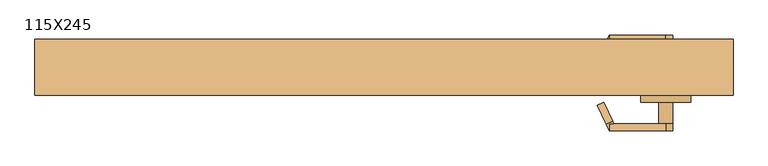
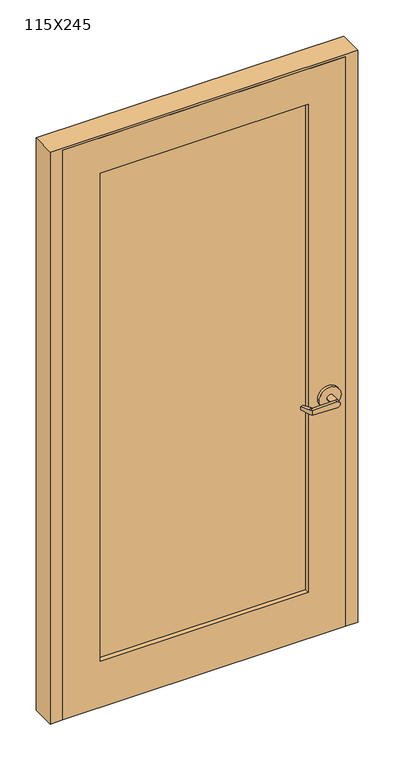
"""IFC4 building model written with IfcOpenShell, lengths in millimetres: door geometry, 115X245."""

import ifcopenshell
import ifcopenshell.guid

model = None  # the IFC model being written
_history = None  # IfcOwnerHistory: only IFC2X3 demands one
_inside = {}  # id of a spatial element -> (the spatial element, [elements in it])
_under = {}  # id of a project, library or spatial element -> (it, [spatial elements below it])
_declared = {}  # id of a project -> (the project, [libraries it declares])
_typed = {}  # id of a type object -> (the type object, [elements of that type])
_made_of = {}  # id of a material, layer set ... -> (it, [elements and type objects made of it])


def new_model(schema):
    """Start an empty IFC model of exactly this schema.

    Asked for "IFC4X3", IfcOpenShell would pick the latest addendum, in which some entities
    have other attributes; the version numbers below select the first issue.
    IFC2X3 requires an IfcOwnerHistory on every rooted entity: one is made here for all.
    """
    global model, _history
    if schema == "IFC4X3":
        model = ifcopenshell.file(schema_version=(4, 3, 0, 0))
    else:
        model = ifcopenshell.file(schema=schema)
    _inside.clear()
    _under.clear()
    _declared.clear()
    _typed.clear()
    _made_of.clear()
    _history = None
    if model.schema == "IFC2X3":
        org = make("IfcOrganization", Name="unknown")
        user = make(
            "IfcPersonAndOrganization",
            ThePerson=make("IfcPerson", FamilyName="unknown"),
            TheOrganization=org,
        )
        app = make(
            "IfcApplication",
            ApplicationDeveloper=org,
            Version="unknown",
            ApplicationFullName="unknown",
            ApplicationIdentifier="unknown",
        )
        _history = make(
            "IfcOwnerHistory",
            OwningUser=user,
            OwningApplication=app,
            ChangeAction="ADDED",
            CreationDate=0,
        )
    return model


def make(cls, **values):
    """One entity of the class cls with the attributes given. An attribute that is None is left unset."""
    return model.create_entity(
        cls, **{name: value for name, value in values.items() if value is not None}
    )


def rooted(cls, **values):
    """An entity with a GlobalId (a new one), such as an element, a storey or a relation."""
    return make(cls, GlobalId=ifcopenshell.guid.new(), OwnerHistory=_history, **values)


def si_unit(unit_type, name, prefix=None):
    """IfcSIUnit, for example si_unit("LENGTHUNIT", "METRE", prefix="MILLI")."""
    return make("IfcSIUnit", UnitType=unit_type, Prefix=prefix, Name=name)


def assignment(units):
    """IfcUnitAssignment: the units of a project."""
    return None if units is None else make("IfcUnitAssignment", Units=units)


def point(xyz):
    """IfcCartesianPoint."""
    return None if xyz is None else make("IfcCartesianPoint", Coordinates=xyz)


def direction(xyz):
    """IfcDirection."""
    return None if xyz is None else make("IfcDirection", DirectionRatios=xyz)


def frame(location, z_axis=None, x_axis=None):
    """IfcAxis2Placement3D, a coordinate frame: its origin and axes. An axis left out is left unset."""
    return make(
        "IfcAxis2Placement3D",
        Location=point(location),
        Axis=direction(z_axis),
        RefDirection=direction(x_axis),
    )


def origin():
    """The frame at (0, 0, 0) with its axes left unset."""
    return frame((0.0, 0.0, 0.0))


def place(relative_to, where):
    """IfcLocalPlacement: puts the frame where relative to a parent placement (None: the world)."""
    return make(
        "IfcLocalPlacement", PlacementRelTo=relative_to, RelativePlacement=where
    )


def context(
    kind, dimensions, precision=None, world=None, true_north=None, identifier=None
):
    """IfcGeometricRepresentationContext, for example the 3D "Model" context."""
    return make(
        "IfcGeometricRepresentationContext",
        ContextIdentifier=identifier,
        ContextType=kind,
        CoordinateSpaceDimension=dimensions,
        Precision=precision,
        WorldCoordinateSystem=world,
        TrueNorth=true_north,
    )


def project(units=None, contexts=None):
    """IfcProject with its units and contexts."""
    return rooted(
        "IfcProject",
        Name="project",
        RepresentationContexts=contexts,
        UnitsInContext=assignment(units),
    )


def spatial(cls, under=None, at=None, **own):
    """A site, building, storey or space (cls), placed at a placement, below another one or the project."""
    s = rooted(cls, ObjectPlacement=at, **own)
    if under is not None:
        _under.setdefault(under.id(), (under, []))[1].append(s)
    return s


def polyline(points):
    """IfcPolyline through the points."""
    return make("IfcPolyline", Points=[point(p) for p in points])


def circle_curve(where, radius):
    """IfcCircle in the frame where."""
    return make("IfcCircle", Position=where, Radius=radius)


def outline(outer, holes=None, kind="AREA"):
    """IfcArbitraryClosedProfileDef: a profile drawn as a closed curve; with holes, ...WithVoids."""
    if holes is None:
        return make("IfcArbitraryClosedProfileDef", ProfileType=kind, OuterCurve=outer)
    return make(
        "IfcArbitraryProfileDefWithVoids",
        ProfileType=kind,
        OuterCurve=outer,
        InnerCurves=holes,
    )


def extrude(swept, where, along, depth):
    """IfcExtrudedAreaSolid: the profile swept, set in the frame where, extruded along a direction by depth."""
    return make(
        "IfcExtrudedAreaSolid",
        SweptArea=swept,
        Position=where,
        ExtrudedDirection=direction(along),
        Depth=depth,
    )


def faces_of(points, faces, orient=None, outer=None):
    """IfcFace entities. A face is a list of loops; a loop is a list of indices into points, from 0.

    orient and outer hold one flag for each loop. By default every Orientation is true, the
    first loop of a face is its IfcFaceOuterBound and the others are IfcFaceBound.
    """
    made = []
    for i, loops in enumerate(faces):
        bounds = []
        for j, loop in enumerate(loops):
            is_outer = j == 0 if outer is None else outer[i][j]
            bounds.append(
                make(
                    "IfcFaceOuterBound" if is_outer else "IfcFaceBound",
                    Bound=make("IfcPolyLoop", Polygon=[points[k] for k in loop]),
                    Orientation=True if orient is None else orient[i][j],
                )
            )
        made.append(make("IfcFace", Bounds=bounds))
    return made


def faceted_brep(points, faces, orient=None, outer=None, voids=None):
    """IfcFacetedBrep: a solid bounded by flat faces; with voids (closed shells), ...WithVoids."""
    shared = [point(p) for p in points]
    hull = make("IfcClosedShell", CfsFaces=faces_of(shared, faces, orient, outer))
    if voids is None:
        return make("IfcFacetedBrep", Outer=hull)
    return make(
        "IfcFacetedBrepWithVoids",
        Outer=hull,
        Voids=[
            make(cls, CfsFaces=faces_of(shared, fs, o, b)) for cls, fs, o, b in voids
        ],
    )


def shape(context_of_items, identifier, shape_type, items):
    """IfcShapeRepresentation: the items that make up one representation, for example the "Body"."""
    return make(
        "IfcShapeRepresentation",
        ContextOfItems=context_of_items,
        RepresentationIdentifier=identifier,
        RepresentationType=shape_type,
        Items=items,
    )


def source(mapping_origin, context_of_items, identifier, shape_type, items):
    """IfcRepresentationMap: a shape defined once, which mapped items show again and again."""
    return make(
        "IfcRepresentationMap",
        MappingOrigin=mapping_origin,
        MappedRepresentation=shape(context_of_items, identifier, shape_type, items),
    )


def transform(
    local_origin,
    x_axis=None,
    y_axis=None,
    z_axis=None,
    scale=None,
    scale2=None,
    scale3=None,
    uniform=True,
):
    """IfcCartesianTransformationOperator3D, or its non-uniform kind. x_axis, y_axis, z_axis: its Axis1, 2, 3."""
    if uniform:
        return make(
            "IfcCartesianTransformationOperator3D",
            Axis1=direction(x_axis),
            Axis2=direction(y_axis),
            LocalOrigin=point(local_origin),
            Scale=scale,
            Axis3=direction(z_axis),
        )
    return make(
        "IfcCartesianTransformationOperator3DnonUniform",
        Axis1=direction(x_axis),
        Axis2=direction(y_axis),
        LocalOrigin=point(local_origin),
        Scale=scale,
        Axis3=direction(z_axis),
        Scale2=scale2,
        Scale3=scale3,
    )


def mapped(mapping_source, mapping_target):
    """IfcMappedItem: shows the shape of a source again, moved by a transform."""
    return make(
        "IfcMappedItem", MappingSource=mapping_source, MappingTarget=mapping_target
    )


def made_of(thing, what):
    """Note that an element or type object is made of a material, layer set ...; save() writes the relation."""
    if what is not None:
        _made_of.setdefault(what.id(), (what, []))[1].append(thing)
    return thing


def element(
    cls,
    number,
    at=None,
    inside=None,
    cuts=None,
    type_object=None,
    material=None,
    context=None,
    identifier="Body",
    shape_type=None,
    held_by="IfcProductDefinitionShape",
    body=None,
    shapes=None,
    **own,
):
    """One element of the class cls, such as IfcWall. Its Tag is "e" and its number.

    at: its placement. inside: the storey or other place that contains it. cuts: it is an
    opening in that element (IfcRelVoidsElement). A single representation is given by context,
    identifier, shape_type and body (its items); several are given by shapes. held_by: the class
    of the entity that holds the representations. save() writes the other relations.
    """
    e = rooted(cls, Tag="e%d" % number, ObjectPlacement=at, **own)
    if body is not None:
        shapes = [shape(context, identifier, shape_type, body)]
    if shapes is not None:
        e.Representation = make(held_by, Representations=shapes)
    if inside is not None:
        _inside.setdefault(inside.id(), (inside, []))[1].append(e)
    if cuts is not None:
        rooted(
            "IfcRelVoidsElement", RelatingBuildingElement=cuts, RelatedOpeningElement=e
        )
    if type_object is not None:
        _typed.setdefault(type_object.id(), (type_object, []))[1].append(e)
    return made_of(e, material)


def aggregate(whole, parts):
    """IfcRelAggregates: a whole, such as a stair, and the parts it consists of."""
    return rooted("IfcRelAggregates", RelatingObject=whole, RelatedObjects=parts)


def save(model, path):
    """Write the relations noted so far, then the file.

    IfcRelAggregates (storeys below a building ...), IfcRelContainedInSpatialStructure (elements
    in a storey), IfcRelDefinesByType, IfcRelAssociatesMaterial and IfcRelDeclares: one each for
    every whole, place, type object, material and project.
    """
    for whole, parts in _under.values():
        aggregate(whole, parts)
    for where, things in _inside.values():
        rooted(
            "IfcRelContainedInSpatialStructure",
            RelatedElements=things,
            RelatingStructure=where,
        )
    for kind, things in _typed.values():
        rooted("IfcRelDefinesByType", RelatedObjects=things, RelatingType=kind)
    for what, things in _made_of.values():
        rooted("IfcRelAssociatesMaterial", RelatedObjects=things, RelatingMaterial=what)
    for by, libraries in _declared.values():
        rooted("IfcRelDeclares", RelatingContext=by, RelatedDefinitions=libraries)
    model.write(path)


def plane_surface(at):
    """IfcPlane: the flat surface through the origin of the frame at, square to its z axis."""
    return make("IfcPlane", Position=at)


def cylinder_surface(at, radius):
    """IfcCylindricalSurface: all points at the distance radius from the z axis of the frame at."""
    return make("IfcCylindricalSurface", Position=at, Radius=radius)


def advanced_brep(points, edges, surfaces, faces):
    """IfcAdvancedBrep: a solid bounded by faces that lie on surfaces and meet in shared edges.

    An edge is (start, end): straight between two places in points (the first is 0);
    or (start, end, curve); or (start, end, curve, False) where it runs against its curve.
    A face is (place in surfaces, loops), or (place, loops, False) where it looks against
    its surface's normal. A loop lists edges by number (the first is 1), with a minus sign
    where the edge is run from its end to its start. The first loop is the outer one.
    """
    corners = [point(p) for p in points]
    vertices = [make("IfcVertexPoint", VertexGeometry=c) for c in corners]
    made = []
    for start, end, *more in edges:
        made.append(
            make(
                "IfcEdgeCurve",
                EdgeStart=vertices[start],
                EdgeEnd=vertices[end],
                EdgeGeometry=more[0] if more else make("IfcPolyline", Points=[corners[start], corners[end]]),
                SameSense=more[1] if len(more) > 1 else True,
            )
        )
    hull = []
    for where, loops, *sense in faces:
        bounds = []
        for j, loop in enumerate(loops):
            ring = [make("IfcOrientedEdge", EdgeElement=made[abs(k) - 1], Orientation=k > 0) for k in loop]
            bounds.append(
                make(
                    "IfcFaceOuterBound" if j == 0 else "IfcFaceBound",
                    Bound=make("IfcEdgeLoop", EdgeList=ring),
                    Orientation=True,
                )
            )
        hull.append(make("IfcAdvancedFace", Bounds=bounds, FaceSurface=surfaces[where], SameSense=sense[0] if sense else True))
    return make("IfcAdvancedBrep", Outer=make("IfcClosedShell", CfsFaces=hull))


def door_115x245_20a750e4(model_context):
    return source(origin(), model_context, "Body", "SolidModel", [
        advanced_brep(
        [(409.692857, 41.0726392, 1006.475), (411.6407923, 45.25, 1006.475), (411.6407923, 45.25, 1025.525), (409.692857, 41.0726392, 1025.525), (393.5911012, 6.5423125, 1022.35), (393.5911012, 6.5423125, 1009.65), (403.55, 57.95, 1025.525), (403.55, 57.95, 1006.475), (398.1827481, 46.4398911, 1006.475), (382.0809923, 11.9095644, 1009.65), (382.0809923, 11.9095644, 1022.35), (398.1827481, 46.4398911, 1025.525), (403.55, 45.25, 1006.475), (403.55, 45.25, 1025.525), (504.7525418, 57.95, 1028.6937791), (504.7525418, 57.95, 1003.3062209), (504.7525418, 45.25, 1003.3062209), (492.45, 45.25, 1016.0), (504.7525418, 45.25, 1028.6937791), (517.85, 45.25, 1016.0), (492.45, 7.15, 1016.0), (517.85, 7.15, 1016.0), (549.6, 7.15, 1016.0), (460.7, 7.15, 1016.0), (549.6, -5.55, 1016.0), (460.7, -5.55, 1016.0)],
        [
            (0, 1),
            (1, 2),
            (2, 3),
            (3, 4),
            (4, 5),
            (5, 0),
            (6, 7),
            (7, 8),
            (8, 9),
            (9, 10),
            (10, 11),
            (11, 6),
            (7, 12),
            (12, 1),
            (0, 8),
            (5, 9),
            (4, 10),
            (3, 11),
            (2, 13),
            (13, 6),
            (6, 14),
            (14, 15, circle_curve(frame((505.15, 57.95, 1016.0), z_axis=(0.0, 1.0, 0.0), x_axis=(-1.0, 0.0, 0.0)), 12.7)),
            (15, 7),
            (12, 16),
            (16, 17, circle_curve(frame((505.15, 45.25, 1016.0), z_axis=(0.0, 1.0, 0.0), x_axis=(-1.0, 0.0, 0.0)), 12.7)),
            (17, 18, circle_curve(frame((505.15, 45.25, 1016.0), z_axis=(0.0, 1.0, 0.0), x_axis=(-1.0, 0.0, 0.0)), 12.7)),
            (18, 13),
            (15, 16),
            (14, 18),
            (18, 19, circle_curve(frame((505.15, 45.25, 1016.0), z_axis=(0.0, 1.0, 0.0), x_axis=(-1.0, 0.0, 0.0)), 12.7)),
            (19, 16, circle_curve(frame((505.15, 45.25, 1016.0), z_axis=(0.0, 1.0, 0.0), x_axis=(-1.0, 0.0, 0.0)), 12.7)),
            (17, 20),
            (20, 21, circle_curve(frame((505.15, 7.15, 1016.0), z_axis=(0.0, 1.0, 0.0), x_axis=(-1.0, 0.0, 0.0)), 12.7)),
            (21, 19),
            (21, 20, circle_curve(frame((505.15, 7.15, 1016.0), z_axis=(0.0, 1.0, 0.0), x_axis=(-1.0, 0.0, 0.0)), 12.7)),
            (22, 23, circle_curve(frame((505.15, 7.15, 1016.0), z_axis=(0.0, 1.0, 0.0), x_axis=(-1.0, 0.0, 0.0)), 44.45)),
            (23, 22, circle_curve(frame((505.15, 7.15, 1016.0), z_axis=(0.0, 1.0, 0.0), x_axis=(-1.0, 0.0, 0.0)), 44.45)),
            (24, 25, circle_curve(frame((505.15, -5.55, 1016.0), z_axis=(0.0, -1.0, 0.0), x_axis=(-1.0, 0.0, 0.0)), 44.45)),
            (25, 24, circle_curve(frame((505.15, -5.55, 1016.0), z_axis=(0.0, -1.0, 0.0), x_axis=(-1.0, 0.0, 0.0)), 44.45)),
            (23, 25),
            (24, 22),
        ],
        [
            plane_surface(frame((415.0601089, 52.5827481, 1006.475), z_axis=(0.9063077870366494, -0.4226182617407007, 0.0), x_axis=(0.0, 0.0, -1.0))),
            plane_surface(frame((403.55, 57.95, 1006.475), z_axis=(-0.9063077870366494, 0.4226182617407007, 0.0), x_axis=(0.0, 0.0, 1.0))),
            plane_surface(frame((415.0601089, 52.5827481, 1006.475), z_axis=(0.0, 0.0, -1.0000000000000002), x_axis=(-0.9063077870366494, 0.42261826174070094, 0.0))),
            plane_surface(frame((409.692857, 41.0726392, 1006.475), z_axis=(-0.035096536341209586, -0.07526476506963879, -0.9965457582448799), x_axis=(-0.9063077870366494, 0.42261826174070094, 0.0))),
            plane_surface(frame((393.5911012, 6.5423125, 1009.65), z_axis=(-0.42261826174070094, -0.9063077870366494, 0.0), x_axis=(-0.9063077870366494, 0.42261826174070094, 0.0))),
            plane_surface(frame((393.5911012, 6.5423125, 1022.35), z_axis=(-0.03509653634121044, -0.07526476506964089, 0.9965457582448796), x_axis=(-0.9063077870366495, 0.42261826174070033, 0.0))),
            plane_surface(frame((409.692857, 41.0726392, 1025.525), z_axis=(0.0, 0.0, 1.0000000000000002), x_axis=(-0.9063077870366494, 0.42261826174070094, 0.0))),
            plane_surface(frame((403.55, 57.95, 1006.475), z_axis=(0.0, 1.0, 0.0), x_axis=(0.9995101626549141, 0.0, -0.03129592225110647))),
            plane_surface(frame((403.55, 45.25, 1006.475), z_axis=(0.0, -1.0, 0.0), x_axis=(-0.9995101626549141, 0.0, 0.03129592225110647))),
            plane_surface(frame((403.55, 57.95, 1006.475), z_axis=(-0.03129592225110647, 0.0, -0.9995101626549141), x_axis=(0.0, -1.0, 0.0))),
            cylinder_surface(frame((505.15, 45.25, 1016.0), z_axis=(0.0, 1.0, 0.0), x_axis=(-1.0, 0.0, 0.0)), 12.7),
            plane_surface(frame((504.7525418, 57.95, 1028.6937791), z_axis=(-0.03129592225110282, 0.0, 0.9995101626549142), x_axis=(0.0, -1.0, 0.0))),
            cylinder_surface(frame((505.15, 7.15, 1016.0), z_axis=(0.0, 1.0, 0.0), x_axis=(-1.0, 0.0, 0.0)), 12.7),
            plane_surface(frame((460.7, 7.15, 1016.0), z_axis=(0.0, 1.0, 0.0), x_axis=(0.0, 0.0, -1.0))),
            plane_surface(frame((460.7, -5.55, 1016.0), z_axis=(0.0, -1.0, 0.0), x_axis=(0.0, 0.0, 1.0))),
            cylinder_surface(frame((505.15, -5.55, 1016.0), z_axis=(0.0, 1.0, 0.0), x_axis=(-1.0, 0.0, 0.0)), 44.45),
        ],
        [
            (0, [[1, 2, 3, 4, 5, 6]]),
            (1, [[7, 8, 9, 10, 11, 12]]),
            (2, [[13, 14, -1, 15, -8]]),
            (3, [[16, -9, -15, -6]]),
            (4, [[17, -10, -16, -5]]),
            (5, [[18, -11, -17, -4]]),
            (6, [[-18, -3, 19, 20, -12]]),
            (7, [[-7, 21, 22, 23]]),
            (8, [[-19, -2, -14, 24, 25, 26, 27]]),
            (9, [[28, -24, -13, -23]]),
            (10, [[29, 30, 31, -28, -22]]),
            (11, [[-20, -27, -29, -21]]),
            (12, [[-30, -26, 32, 33, 34]]),
            (12, [[35, -32, -25, -31, -34]]),
            (13, [[36, 37], [-35, -33]]),
            (14, [[38, 39]]),
            (15, [[40, -38, 41, -37]]),
            (15, [[-41, -39, -40, -36]]),
        ],
    ),
        advanced_brep(
        [(409.692857, -96.6226392, 1025.525), (411.6407923, -100.8, 1025.525), (411.6407923, -100.8, 1006.475), (409.692857, -96.6226392, 1006.475), (393.5911012, -62.0923125, 1009.65), (393.5911012, -62.0923125, 1022.35), (403.55, -113.5, 1006.475), (403.55, -113.5, 1025.525), (398.1827481, -101.9898911, 1025.525), (382.0809923, -67.4595644, 1022.35), (382.0809923, -67.4595644, 1009.65), (398.1827481, -101.9898911, 1006.475), (403.55, -100.8, 1025.525), (403.55, -100.8, 1006.475), (504.7525418, -113.5, 1003.3062209), (504.7525418, -113.5, 1028.6937791), (504.7525418, -100.8, 1028.6937791), (492.45, -100.8, 1016.0), (504.7525418, -100.8, 1003.3062209), (517.85, -100.8, 1016.0), (492.45, -62.7, 1016.0), (517.85, -62.7, 1016.0), (549.6, -62.7, 1016.0), (460.7, -62.7, 1016.0), (549.6, -50.0, 1016.0), (460.7, -50.0, 1016.0)],
        [
            (0, 1),
            (1, 2),
            (2, 3),
            (3, 4),
            (4, 5),
            (5, 0),
            (6, 7),
            (7, 8),
            (8, 9),
            (9, 10),
            (10, 11),
            (11, 6),
            (7, 12),
            (12, 1),
            (0, 8),
            (5, 9),
            (4, 10),
            (3, 11),
            (2, 13),
            (13, 6),
            (6, 14),
            (14, 15, circle_curve(frame((505.15, -113.5, 1016.0), z_axis=(0.0, -1.0, 0.0), x_axis=(-1.0, 0.0, 0.0)), 12.7)),
            (15, 7),
            (12, 16),
            (16, 17, circle_curve(frame((505.15, -100.8, 1016.0), z_axis=(0.0, -1.0, 0.0), x_axis=(-1.0, 0.0, 0.0)), 12.7)),
            (17, 18, circle_curve(frame((505.15, -100.8, 1016.0), z_axis=(0.0, -1.0, 0.0), x_axis=(-1.0, 0.0, 0.0)), 12.7)),
            (18, 13),
            (15, 16),
            (14, 18),
            (18, 19, circle_curve(frame((505.15, -100.8, 1016.0), z_axis=(0.0, -1.0, 0.0), x_axis=(-1.0, 0.0, 0.0)), 12.7)),
            (19, 16, circle_curve(frame((505.15, -100.8, 1016.0), z_axis=(0.0, -1.0, 0.0), x_axis=(-1.0, 0.0, 0.0)), 12.7)),
            (17, 20),
            (20, 21, circle_curve(frame((505.15, -62.7, 1016.0), z_axis=(0.0, -1.0, 0.0), x_axis=(-1.0, 0.0, 0.0)), 12.7)),
            (21, 19),
            (21, 20, circle_curve(frame((505.15, -62.7, 1016.0), z_axis=(0.0, -1.0, 0.0), x_axis=(-1.0, 0.0, 0.0)), 12.7)),
            (22, 23, circle_curve(frame((505.15, -62.7, 1016.0), z_axis=(0.0, -1.0, 0.0), x_axis=(-1.0, 0.0, 0.0)), 44.45)),
            (23, 22, circle_curve(frame((505.15, -62.7, 1016.0), z_axis=(0.0, -1.0, 0.0), x_axis=(-1.0, 0.0, 0.0)), 44.45)),
            (24, 25, circle_curve(frame((505.15, -50.0, 1016.0), z_axis=(0.0, 1.0, 0.0), x_axis=(-1.0, 0.0, 0.0)), 44.45)),
            (25, 24, circle_curve(frame((505.15, -50.0, 1016.0), z_axis=(0.0, 1.0, 0.0), x_axis=(-1.0, 0.0, 0.0)), 44.45)),
            (23, 25),
            (24, 22),
        ],
        [
            plane_surface(frame((415.0601089, -108.1327481, 1025.525), z_axis=(0.9063077870366494, 0.4226182617407007, 0.0), x_axis=(0.0, 0.0, 1.0))),
            plane_surface(frame((403.55, -113.5, 1025.525), z_axis=(-0.9063077870366494, -0.4226182617407007, 0.0), x_axis=(0.0, 0.0, -1.0))),
            plane_surface(frame((415.0601089, -108.1327481, 1025.525), z_axis=(0.0, 0.0, 1.0000000000000002), x_axis=(-0.9063077870366494, -0.42261826174070094, 0.0))),
            plane_surface(frame((409.692857, -96.6226392, 1025.525), z_axis=(-0.03509653634120952, 0.07526476506963879, 0.9965457582448799), x_axis=(-0.9063077870366494, -0.42261826174070094, 0.0))),
            plane_surface(frame((393.5911012, -62.0923125, 1022.35), z_axis=(-0.42261826174070094, 0.9063077870366494, 0.0), x_axis=(-0.9063077870366494, -0.42261826174070094, 0.0))),
            plane_surface(frame((393.5911012, -62.0923125, 1009.65), z_axis=(-0.03509653634121051, 0.07526476506964089, -0.9965457582448796), x_axis=(-0.9063077870366495, -0.42261826174070033, 0.0))),
            plane_surface(frame((409.692857, -96.6226392, 1006.475), z_axis=(0.0, 0.0, -1.0000000000000002), x_axis=(-0.9063077870366494, -0.42261826174070094, 0.0))),
            plane_surface(frame((403.55, -113.5, 1025.525), z_axis=(0.0, -1.0, 0.0), x_axis=(0.9995101626549141, 0.0, 0.0312959222511064))),
            plane_surface(frame((403.55, -100.8, 1025.525), z_axis=(0.0, 1.0, 0.0), x_axis=(-0.9995101626549141, 0.0, -0.0312959222511064))),
            plane_surface(frame((403.55, -113.5, 1025.525), z_axis=(-0.0312959222511064, 0.0, 0.9995101626549141), x_axis=(0.0, 1.0, 0.0))),
            cylinder_surface(frame((505.15, -100.8, 1016.0), z_axis=(0.0, -1.0, 0.0), x_axis=(-1.0, 0.0, 0.0)), 12.7),
            plane_surface(frame((504.7525418, -113.5, 1003.3062209), z_axis=(-0.03129592225110289, 0.0, -0.9995101626549142), x_axis=(0.0, 1.0, 0.0))),
            cylinder_surface(frame((505.15, -62.7, 1016.0), z_axis=(0.0, -1.0, 0.0), x_axis=(-1.0, 0.0, 0.0)), 12.7),
            plane_surface(frame((460.7, -62.7, 1016.0), z_axis=(0.0, -1.0, 0.0), x_axis=(0.0, 0.0, 1.0))),
            plane_surface(frame((460.7, -50.0, 1016.0), z_axis=(0.0, 1.0, 0.0), x_axis=(0.0, 0.0, -1.0))),
            cylinder_surface(frame((505.15, -50.0, 1016.0), z_axis=(0.0, -1.0, 0.0), x_axis=(-1.0, 0.0, 0.0)), 44.45),
        ],
        [
            (0, [[1, 2, 3, 4, 5, 6]]),
            (1, [[7, 8, 9, 10, 11, 12]]),
            (2, [[13, 14, -1, 15, -8]]),
            (3, [[16, -9, -15, -6]]),
            (4, [[17, -10, -16, -5]]),
            (5, [[18, -11, -17, -4]]),
            (6, [[-18, -3, 19, 20, -12]]),
            (7, [[-7, 21, 22, 23]]),
            (8, [[-19, -2, -14, 24, 25, 26, 27]]),
            (9, [[28, -24, -13, -23]]),
            (10, [[29, 30, 31, -28, -22]]),
            (11, [[-20, -27, -29, -21]]),
            (12, [[-30, -26, 32, 33, 34]]),
            (12, [[35, -32, -25, -31, -34]]),
            (13, [[36, 37], [-35, -33]]),
            (14, [[38, 39]]),
            (15, [[40, -38, 41, -37]]),
            (15, [[-41, -39, -40, -36]]),
        ],
    ),
        extrude(outline(polyline([(-422.6, -30.95), (-422.6, -24.6), (422.6, -24.6), (422.6, -30.95), (-422.6, -30.95)])), frame((0.0, 0.0, 200.0), z_axis=(0.0, 0.0, 1.0), x_axis=(1.0, 0.0, 0.0)), (0.0, 0.0, 1.0), 2097.6),
        extrude(outline(polyline([(2450.0, -575.0), (0.0, -575.0), (0.0, 575.0), (2450.0, 575.0), (2450.0, -575.0)]), holes=[polyline([(2297.6, -422.6), (2297.6, 422.6), (200.0, 422.6), (200.0, -422.6), (2297.6, -422.6)])]), frame((0.0, -50.0, 0.0), z_axis=(0.0, 1.0, 0.0), x_axis=(0.0, 0.0, 1.0)), (0.0, 0.0, 1.0), 44.45),
        faceted_brep([(-575.0, -50.0, 0.0), (-625.8, -50.0, 0.0), (-625.8, 50.0, 0.0), (-575.0, 50.0, 0.0), (-575.0, 5.55, 0.0), (-559.125, 5.55, 0.0), (-559.125, -5.55, 0.0), (-575.0, -5.55, 0.0), (-575.0, -5.55, 2450.0), (-575.0, -50.0, 2450.0), (-559.125, -5.55, 2434.125), (559.125, -5.55, 2434.125), (559.125, -5.55, 0.0), (575.0, -5.55, 0.0), (575.0, -5.55, 2450.0), (-559.125, 5.55, 2434.125), (-575.0, 5.55, 2450.0), (575.0, 5.55, 2450.0), (575.0, 5.55, 0.0), (559.125, 5.55, 0.0), (559.125, 5.55, 2434.125), (-575.0, 50.0, 2450.0), (-625.8, 50.0, 2460.0), (625.8, 50.0, 2460.0), (625.8, 50.0, 0.0), (575.0, 50.0, 0.0), (575.0, 50.0, 2450.0), (-625.8, -50.0, 2460.0), (575.0, -50.0, 2450.0), (575.0, -50.0, 0.0), (625.8, -50.0, 0.0), (625.8, -50.0, 2460.0)], [[[0, 1, 2, 3, 4, 5, 6, 7]], [[7, 8, 9, 0]], [[6, 10, 11, 12, 13, 14, 8, 7]], [[5, 15, 10, 6]], [[4, 16, 17, 18, 19, 20, 15, 5]], [[3, 21, 16, 4]], [[2, 22, 23, 24, 25, 26, 21, 3]], [[1, 27, 22, 2]], [[0, 9, 28, 29, 30, 31, 27, 1]], [[29, 28, 14, 13]], [[29, 13, 12, 19, 18, 25, 24, 30]], [[12, 11, 20, 19]], [[17, 26, 25, 18]], [[30, 24, 23, 31]], [[23, 22, 27, 31]], [[21, 26, 17, 16]], [[15, 20, 11, 10]], [[14, 28, 9, 8]]]),
    ])


if __name__ == "__main__":
    model = new_model("IFC4")
    model_context = context("Model", 3, world=origin())
    ifc_project = project(units=[si_unit("LENGTHUNIT", "METRE", prefix="MILLI")], contexts=[model_context])
    site = spatial("IfcSite", under=ifc_project)
    building = spatial("IfcBuilding", under=site)
    placement = place(None, origin())
    door_115x245_shape = door_115x245_20a750e4(model_context)
    element("IfcDoor", 1, ObjectType="115X245", at=placement, inside=building, context=model_context, shape_type="MappedRepresentation", body=[
        mapped(door_115x245_shape, transform((0.0, 0.0, 0.0), x_axis=(1.0, 0.0, 0.0), y_axis=(0.0, 1.0, 0.0), z_axis=(0.0, 0.0, 1.0))),
    ])
    save(model, "model.ifc")
